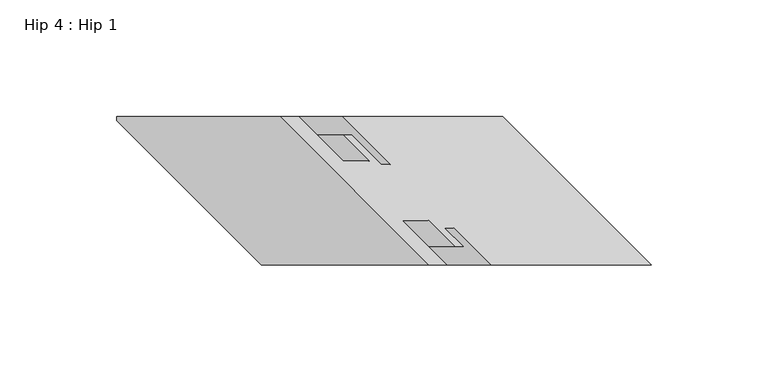
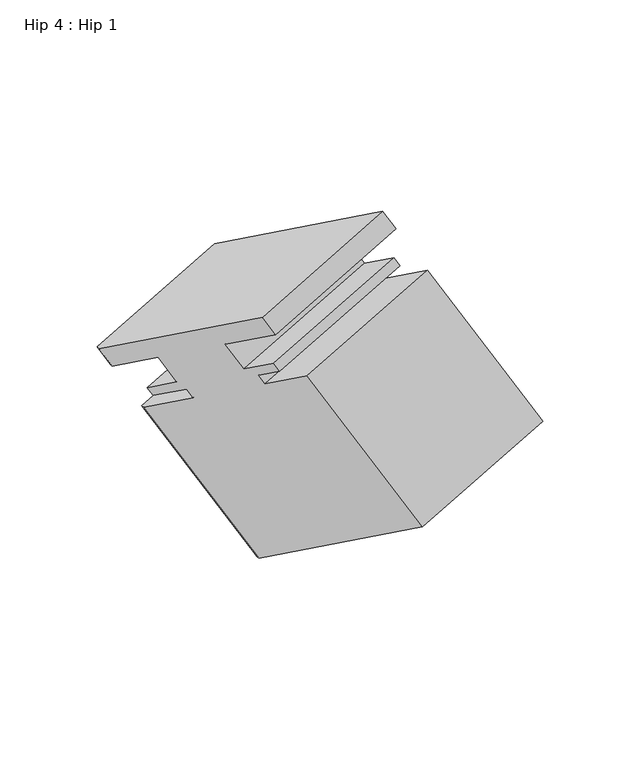
"""IFC4 building model written with IfcOpenShell, lengths in millimetres: proxy geometry, Hip 4 : Hip 1."""

from ifc_helpers import new_model, si_unit, origin, place, context, project, spatial, faceted_brep, source, transform, mapped, element, save


def hip_4_hip_1_2cd41902(model_context):
    return source(origin(), model_context, "Body", "Brep", [
        faceted_brep([(11544.3985266, 14430.4779755, 949.4438947), (11544.3985266, 14428.7248813, 949.4438947), (11606.1454323, 14366.9779755, 985.0934874), (11677.7640799, 14366.9779755, 1026.4425329), (11614.2640799, 14430.4779755, 989.7807908), (11552.3360266, 14430.4779755, 935.6957415), (11622.2015799, 14430.4779755, 976.0326375), (11552.3360266, 14428.7248813, 935.6957415), (11641.2515799, 14411.4279755, 987.0311601), (11569.6329323, 14411.4279755, 945.6821147), (11652.4910799, 14411.4279755, 967.5637751), (11580.8724323, 14411.4279755, 926.2147296), (11641.3658799, 14422.5531755, 961.1406379), (11569.7472323, 14422.5531755, 919.7915924), (11644.9472799, 14422.5531755, 954.9374711), (11573.3286323, 14422.5531755, 913.5884256), (11657.4858906, 14410.0145649, 962.1766413), (11585.867243, 14410.0145649, 920.8275959), (11661.4355906, 14410.0145649, 955.3355603), (11589.816943, 14410.0145649, 913.9865148), (11571.1066266, 14430.4779755, 903.1841086), (11571.1066266, 14428.7248813, 903.1841086), (11640.9721799, 14430.4779755, 943.5210046), (11639.7755266, 14430.4779755, 784.2460849), (11709.6410799, 14430.4779755, 824.5829809), (11639.7755266, 14428.7248813, 784.2460849), (11773.1410799, 14366.9779755, 861.244723), (11701.5224323, 14366.9779755, 819.8956775), (11704.4721799, 14366.9779755, 980.1827467), (11632.8535323, 14366.9779755, 938.8337012), (11688.5971799, 14382.8529755, 971.0173112), (11616.9785323, 14382.8529755, 929.6682657), (11684.6474799, 14382.8529755, 977.8583923), (11613.0288323, 14382.8529755, 936.5093468), (11692.5976799, 14374.9027755, 982.4484424), (11620.9790323, 14374.9027755, 941.0993969), (11689.0162799, 14374.9027755, 988.6516091), (11617.3976323, 14374.9027755, 947.3025637), (11677.8910799, 14386.0279755, 982.2284719), (11606.2724323, 14386.0279755, 940.8794265), (11666.6515799, 14386.0279755, 1001.695857), (11595.0329323, 14386.0279755, 960.3468115), (11685.7015799, 14366.9779755, 1012.6943796), (11614.0829323, 14366.9779755, 971.3453341)], [[[0, 1, 2, 3, 4]], [[5, 0, 4, 6]], [[7, 5, 6, 8, 9]], [[9, 8, 10, 11]], [[11, 10, 12, 13]], [[13, 12, 14, 15]], [[15, 14, 16, 17]], [[17, 16, 18, 19]], [[20, 21, 19, 18, 22]], [[23, 20, 22, 24]], [[25, 23, 24, 26, 27]], [[27, 26, 28, 29]], [[29, 28, 30, 31]], [[31, 30, 32, 33]], [[33, 32, 34, 35]], [[35, 34, 36, 37]], [[37, 36, 38, 39]], [[39, 38, 40, 41]], [[41, 40, 42, 43]], [[3, 2, 43, 42]], [[1, 7, 9, 11, 13, 15, 17, 19, 21, 25, 27, 29, 31, 33, 35, 37, 39, 41, 43, 2]], [[4, 3, 42, 40, 38, 36, 34, 32, 30, 28, 26, 24, 22, 18, 16, 14, 12, 10, 8, 6]], [[0, 5, 7, 1]], [[20, 23, 25, 21]]]),
    ])


if __name__ == "__main__":
    model = new_model("IFC4")
    model_context = context("Model", 3, world=origin())
    ifc_project = project(units=[si_unit("LENGTHUNIT", "METRE", prefix="MILLI")], contexts=[model_context])
    site = spatial("IfcSite", under=ifc_project)
    building = spatial("IfcBuilding", under=site)
    placement = place(None, origin())
    hip_4_hip_1_shape = hip_4_hip_1_2cd41902(model_context)
    element("IfcBuildingElementProxy", 1, Name="Hip 4 : Hip 1", ObjectType="Hip 4 : Hip 1", at=placement, inside=building, context=model_context, shape_type="MappedRepresentation", body=[
        mapped(hip_4_hip_1_shape, transform((0.0, 0.0, 0.0), x_axis=(1.0, 0.0, 0.0), y_axis=(0.0, 1.0, 0.0), z_axis=(0.0, 0.0, 1.0))),
    ])
    save(model, "model.ifc")
